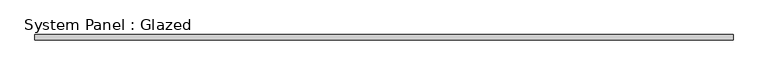
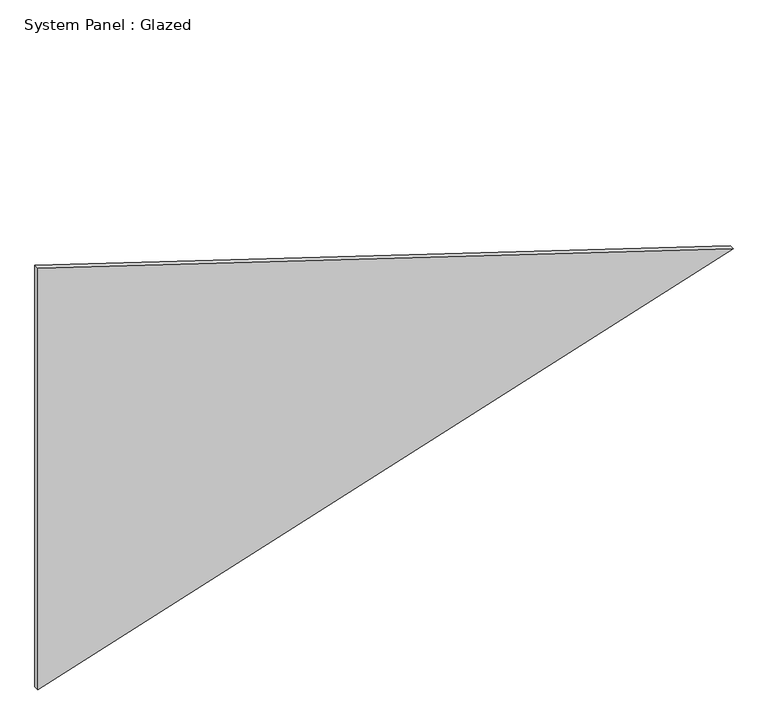
"""IFC4 building model written with IfcOpenShell, lengths in millimetres: plate geometry, System Panel : Glazed."""

from ifc_helpers import new_model, si_unit, frame, origin, place, context, project, spatial, polyline, outline, extrude, source, transform, mapped, element, save


def system_panel_glazed_ad881f6d(model_context):
    return source(origin(), model_context, "Body", "SweptSolid", [
        extrude(outline(polyline([(0.0, -1637.4794353), (1049.6216278, 1637.4794353), (1051.1914341, 1637.4794353), (2100.8130619, -1637.4794353), (0.0, -1637.4794353)])), frame((0.0, -49.5, 0.0), z_axis=(0.0, 1.0, 0.0), x_axis=(0.0, 0.0, 1.0)), (0.0, 0.0, 1.0), 25.0),
    ])


if __name__ == "__main__":
    model = new_model("IFC4")
    model_context = context("Model", 3, world=origin())
    ifc_project = project(units=[si_unit("LENGTHUNIT", "METRE", prefix="MILLI")], contexts=[model_context])
    site = spatial("IfcSite", under=ifc_project)
    building = spatial("IfcBuilding", under=site)
    placement = place(None, origin())
    system_panel_glazed_shape = system_panel_glazed_ad881f6d(model_context)
    element("IfcPlate", 1, ObjectType="System Panel : Glazed", at=placement, inside=building, context=model_context, shape_type="MappedRepresentation", body=[
        mapped(system_panel_glazed_shape, transform((0.0, 0.0, 0.0), x_axis=(1.0, 0.0, 0.0), y_axis=(0.0, 1.0, 0.0), z_axis=(0.0, 0.0, 1.0))),
    ])
    save(model, "model.ifc")
